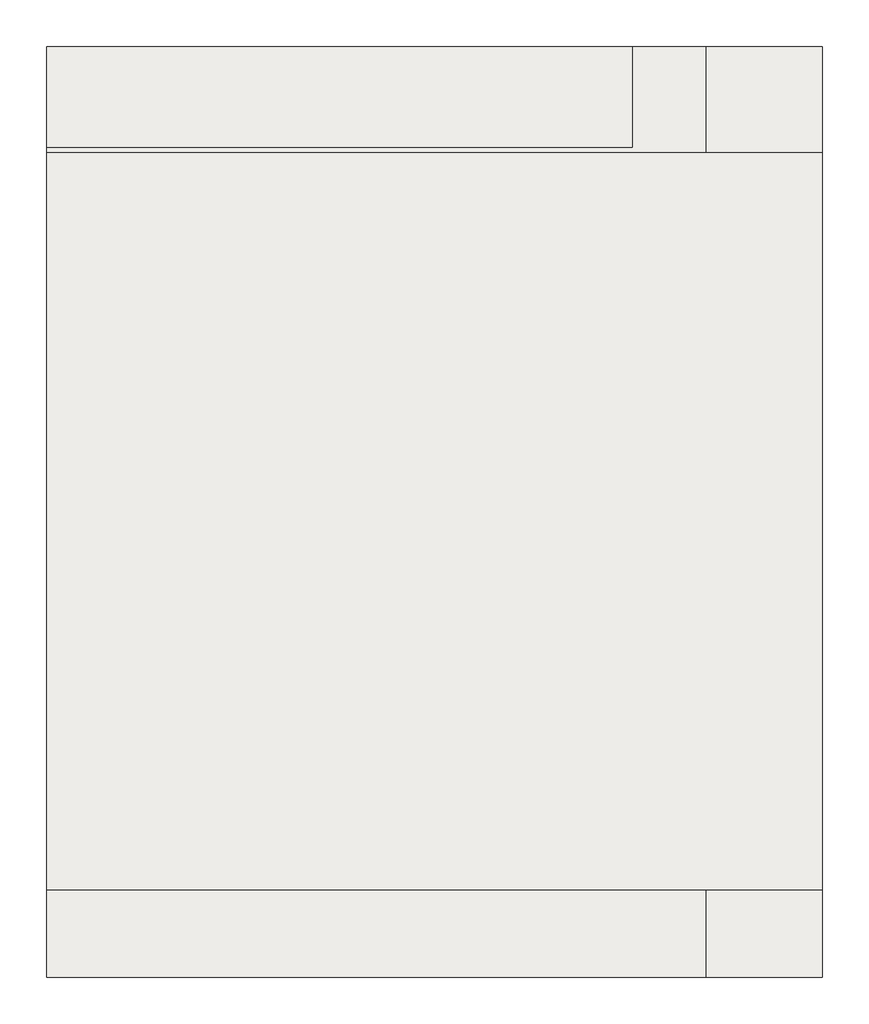
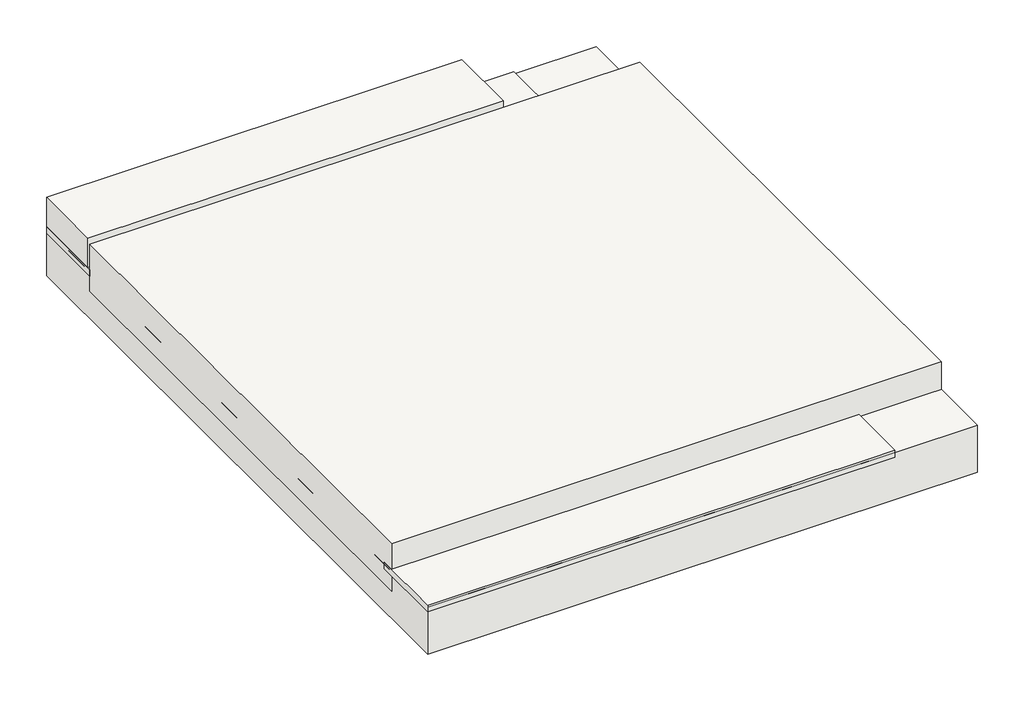
# One storey: 3 slabs, 2 coverings.
"""IFC4 building model written with IfcOpenShell, lengths in millimetres."""

from ifc_helpers import new_model, si_unit, frame, origin, place, context, project, spatial, polyline, outline, extrude, element, save

model = new_model("IFC4")

# Units and contexts
model_context = context("Model", 3, world=origin())
ifc_project = project(units=[si_unit("LENGTHUNIT", "METRE", prefix="MILLI")], contexts=[model_context])

# Site, building, storey
site = spatial("IfcSite", under=ifc_project)
building = spatial("IfcBuilding", under=site)
storey = spatial("IfcBuildingStorey", under=building, Elevation=-300.0)

# Coverings
placement = place(None, origin())
element("IfcCovering", 1, at=placement, inside=storey, context=model_context, shape_type="SweptSolid", body=[
    extrude(outline(polyline([(-21757.8798684, 3290.275537), (-18357.8798684, 3290.275537), (-18357.8798684, 2744.883207), (-21757.8798684, 2744.883207), (-21757.8798684, 3290.275537)])), frame((0.0, 0.0, -447.0), z_axis=(0.0, 0.0, 1.0), x_axis=(1.0, 0.0, 0.0)), (0.0, 0.0, 1.0), 52.0),
])
element("IfcCovering", 2, at=placement, inside=storey, context=model_context, shape_type="SweptSolid", body=[
    extrude(outline(polyline([(-21757.8798684, -964.3321331), (-18357.8798684, -964.3321331), (-18357.8798684, -1509.724463), (-21757.8798684, -1509.724463), (-21757.8798684, -964.3321331)])), frame((0.0, 0.0, -447.0), z_axis=(0.0, 0.0, 1.0), x_axis=(1.0, 0.0, 0.0)), (0.0, 0.0, 1.0), 52.0),
])

# Slabs
element("IfcSlab", 3, at=placement, inside=storey, context=model_context, shape_type="SweptSolid", body=[
    extrude(outline(polyline([(-21757.8798684, 2743.4294305), (-17757.8798684, 2743.4294305), (-17757.8798684, -1056.5705695), (-21757.8798684, -1056.5705695), (-21757.8798684, 2743.4294305)])), frame((0.0, 0.0, -562.0), z_axis=(0.0, 0.0, 1.0), x_axis=(1.0, 0.0, 0.0)), (0.0, 0.0, 1.0), 362.0),
])
element("IfcSlab", 4, at=placement, inside=storey, context=model_context, shape_type="SweptSolid", body=[
    extrude(outline(polyline([(-21757.8798684, 3290.275537), (-17757.8798684, 3290.275537), (-17757.8798684, -1509.724463), (-21757.8798684, -1509.724463), (-21757.8798684, 3290.275537)])), frame((0.0, 0.0, -773.3091309), z_axis=(0.0, 0.0, 1.0), x_axis=(1.0, 0.0, 0.0)), (0.0, 0.0, 1.0), 362.0),
])
element("IfcSlab", 5, at=placement, inside=storey, context=model_context, shape_type="SweptSolid", body=[
    extrude(outline(polyline([(-21757.8798684, 3289.4348686), (-18737.8798684, 3289.4348686), (-18737.8798684, 2769.7261759), (-21757.8798684, 2769.7261759), (-21757.8798684, 3289.4348686)])), frame((0.0, 0.0, -395.0), z_axis=(0.0, 0.0, 1.0), x_axis=(1.0, 0.0, 0.0)), (0.0, 0.0, 1.0), 225.0),
])

save(model, "model.ifc")
